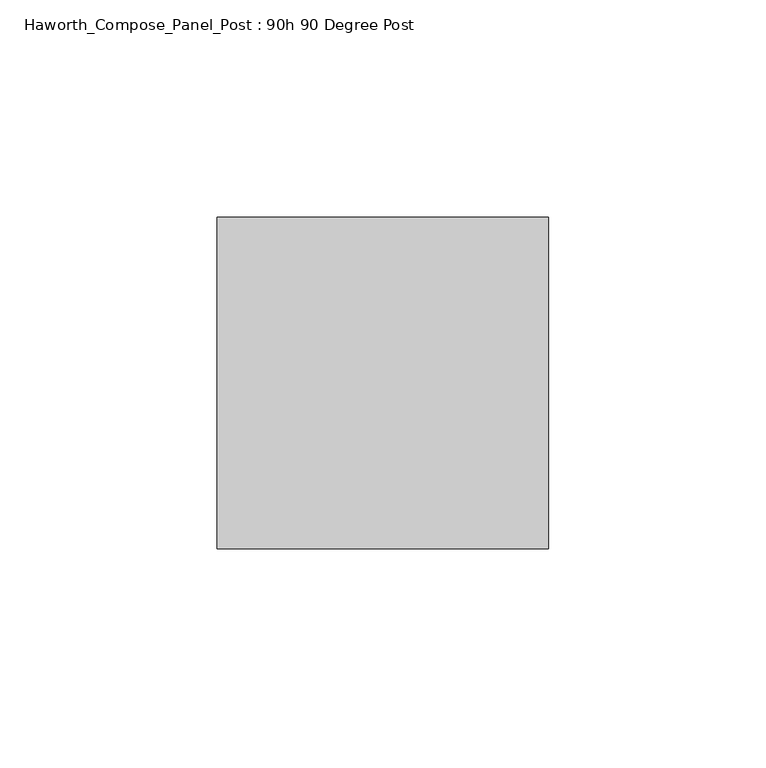
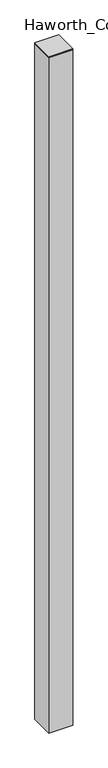
"""IFC4 building model written with IfcOpenShell, lengths in millimetres: furniture geometry, Haworth_Compose_Panel_Post : 90h 90 Degree Post."""

from ifc_helpers import new_model, si_unit, frame, origin, place, context, project, spatial, polyline, outline, extrude, source, transform, mapped, element, save


def haworth_compose_panel_post_90h_90_degree_post_dafcb63c(model_context):
    return source(origin(), model_context, "Body", "SweptSolid", [
        extrude(outline(polyline([(0.0, 38.1), (76.2, 38.1), (76.2, -38.1), (0.0, -38.1), (0.0, 38.1)])), frame((0.0, 0.0, 2279.65), z_axis=(0.0, 0.0, 1.0), x_axis=(1.0, 0.0, 0.0)), (0.0, 0.0, 1.0), 3.175),
        extrude(outline(polyline([(76.2, 38.1), (76.2, -38.1), (0.0, -38.1), (0.0, 38.1), (76.2, 38.1)])), frame((0.0, 0.0, 12.7), z_axis=(0.0, 0.0, 1.0), x_axis=(1.0, 0.0, 0.0)), (0.0, 0.0, 1.0), 2266.95),
    ])


if __name__ == "__main__":
    model = new_model("IFC4")
    model_context = context("Model", 3, world=origin())
    ifc_project = project(units=[si_unit("LENGTHUNIT", "METRE", prefix="MILLI")], contexts=[model_context])
    site = spatial("IfcSite", under=ifc_project)
    building = spatial("IfcBuilding", under=site)
    placement = place(None, origin())
    haworth_compose_panel_post_90h_90_degree_post_shape = haworth_compose_panel_post_90h_90_degree_post_dafcb63c(model_context)
    element("IfcFurniture", 1, ObjectType="Haworth_Compose_Panel_Post : 90h 90 Degree Post", at=placement, inside=building, context=model_context, shape_type="MappedRepresentation", body=[
        mapped(haworth_compose_panel_post_90h_90_degree_post_shape, transform((0.0, 0.0, 0.0), x_axis=(1.0, 0.0, 0.0), y_axis=(0.0, 1.0, 0.0), z_axis=(0.0, 0.0, 1.0))),
    ])
    save(model, "model.ifc")
